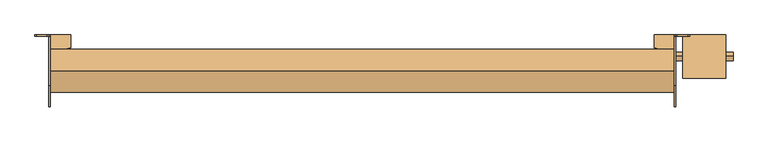
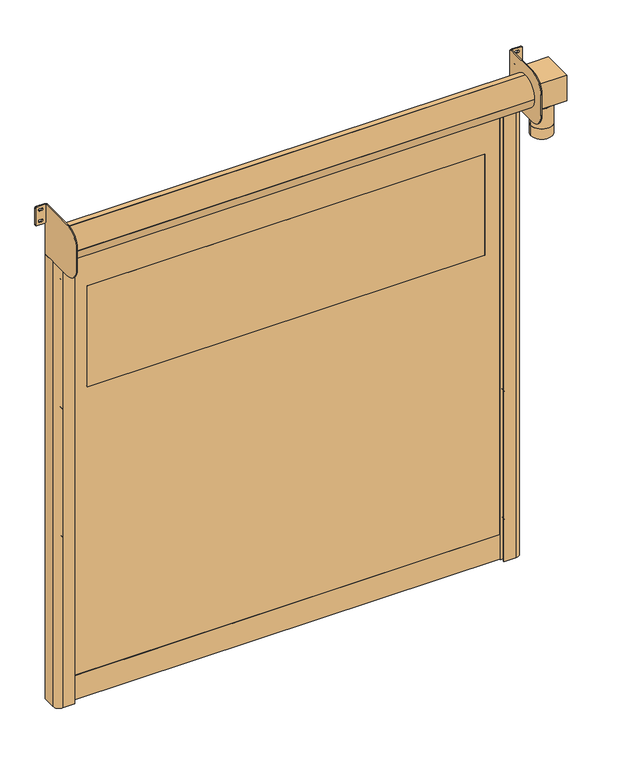
"""IFC4 building model written with IfcOpenShell, lengths in millimetres: door geometry."""

import ifcopenshell
import ifcopenshell.guid

model = None  # the IFC model being written
_history = None  # IfcOwnerHistory: only IFC2X3 demands one
_inside = {}  # id of a spatial element -> (the spatial element, [elements in it])
_under = {}  # id of a project, library or spatial element -> (it, [spatial elements below it])
_declared = {}  # id of a project -> (the project, [libraries it declares])
_typed = {}  # id of a type object -> (the type object, [elements of that type])
_made_of = {}  # id of a material, layer set ... -> (it, [elements and type objects made of it])


def new_model(schema):
    """Start an empty IFC model of exactly this schema.

    Asked for "IFC4X3", IfcOpenShell would pick the latest addendum, in which some entities
    have other attributes; the version numbers below select the first issue.
    IFC2X3 requires an IfcOwnerHistory on every rooted entity: one is made here for all.
    """
    global model, _history
    if schema == "IFC4X3":
        model = ifcopenshell.file(schema_version=(4, 3, 0, 0))
    else:
        model = ifcopenshell.file(schema=schema)
    _inside.clear()
    _under.clear()
    _declared.clear()
    _typed.clear()
    _made_of.clear()
    _history = None
    if model.schema == "IFC2X3":
        org = make("IfcOrganization", Name="unknown")
        user = make(
            "IfcPersonAndOrganization",
            ThePerson=make("IfcPerson", FamilyName="unknown"),
            TheOrganization=org,
        )
        app = make(
            "IfcApplication",
            ApplicationDeveloper=org,
            Version="unknown",
            ApplicationFullName="unknown",
            ApplicationIdentifier="unknown",
        )
        _history = make(
            "IfcOwnerHistory",
            OwningUser=user,
            OwningApplication=app,
            ChangeAction="ADDED",
            CreationDate=0,
        )
    return model


def make(cls, **values):
    """One entity of the class cls with the attributes given. An attribute that is None is left unset."""
    return model.create_entity(
        cls, **{name: value for name, value in values.items() if value is not None}
    )


def rooted(cls, **values):
    """An entity with a GlobalId (a new one), such as an element, a storey or a relation."""
    return make(cls, GlobalId=ifcopenshell.guid.new(), OwnerHistory=_history, **values)


def si_unit(unit_type, name, prefix=None):
    """IfcSIUnit, for example si_unit("LENGTHUNIT", "METRE", prefix="MILLI")."""
    return make("IfcSIUnit", UnitType=unit_type, Prefix=prefix, Name=name)


def assignment(units):
    """IfcUnitAssignment: the units of a project."""
    return None if units is None else make("IfcUnitAssignment", Units=units)


def point(xyz):
    """IfcCartesianPoint."""
    return None if xyz is None else make("IfcCartesianPoint", Coordinates=xyz)


def direction(xyz):
    """IfcDirection."""
    return None if xyz is None else make("IfcDirection", DirectionRatios=xyz)


def frame(location, z_axis=None, x_axis=None):
    """IfcAxis2Placement3D, a coordinate frame: its origin and axes. An axis left out is left unset."""
    return make(
        "IfcAxis2Placement3D",
        Location=point(location),
        Axis=direction(z_axis),
        RefDirection=direction(x_axis),
    )


def frame_2d(location, x_axis=None):
    """IfcAxis2Placement2D, a coordinate frame in the plane: its origin and x axis."""
    return make(
        "IfcAxis2Placement2D", Location=point(location), RefDirection=direction(x_axis)
    )


def origin():
    """The frame at (0, 0, 0) with its axes left unset."""
    return frame((0.0, 0.0, 0.0))


def origin_with_axes():
    """The frame at (0, 0, 0) with the z axis (0, 0, 1) and the x axis (1, 0, 0) written out."""
    return frame((0.0, 0.0, 0.0), z_axis=(0.0, 0.0, 1.0), x_axis=(1.0, 0.0, 0.0))


def place(relative_to, where):
    """IfcLocalPlacement: puts the frame where relative to a parent placement (None: the world)."""
    return make(
        "IfcLocalPlacement", PlacementRelTo=relative_to, RelativePlacement=where
    )


def context(
    kind, dimensions, precision=None, world=None, true_north=None, identifier=None
):
    """IfcGeometricRepresentationContext, for example the 3D "Model" context."""
    return make(
        "IfcGeometricRepresentationContext",
        ContextIdentifier=identifier,
        ContextType=kind,
        CoordinateSpaceDimension=dimensions,
        Precision=precision,
        WorldCoordinateSystem=world,
        TrueNorth=true_north,
    )


def project(units=None, contexts=None):
    """IfcProject with its units and contexts."""
    return rooted(
        "IfcProject",
        Name="project",
        RepresentationContexts=contexts,
        UnitsInContext=assignment(units),
    )


def spatial(cls, under=None, at=None, **own):
    """A site, building, storey or space (cls), placed at a placement, below another one or the project."""
    s = rooted(cls, ObjectPlacement=at, **own)
    if under is not None:
        _under.setdefault(under.id(), (under, []))[1].append(s)
    return s


def polyline(points):
    """IfcPolyline through the points."""
    return make("IfcPolyline", Points=[point(p) for p in points])


def circle_curve(where, radius):
    """IfcCircle in the frame where."""
    return make("IfcCircle", Position=where, Radius=radius)


def trimmed(basis, trim1, trim2, sense, master):
    """IfcTrimmedCurve: the piece of a basis curve between two trims."""
    return make(
        "IfcTrimmedCurve",
        BasisCurve=basis,
        Trim1=trim1,
        Trim2=trim2,
        SenseAgreement=sense,
        MasterRepresentation=master,
    )


def segment(curve, same_sense, transition):
    """IfcCompositeCurveSegment."""
    return make(
        "IfcCompositeCurveSegment",
        Transition=transition,
        SameSense=same_sense,
        ParentCurve=curve,
    )


def composite_curve(segments, self_intersect=None):
    """IfcCompositeCurve: segments joined end to end."""
    return make("IfcCompositeCurve", Segments=segments, SelfIntersect=self_intersect)


def outline(outer, holes=None, kind="AREA"):
    """IfcArbitraryClosedProfileDef: a profile drawn as a closed curve; with holes, ...WithVoids."""
    if holes is None:
        return make("IfcArbitraryClosedProfileDef", ProfileType=kind, OuterCurve=outer)
    return make(
        "IfcArbitraryProfileDefWithVoids",
        ProfileType=kind,
        OuterCurve=outer,
        InnerCurves=holes,
    )


def extrude(swept, where, along, depth):
    """IfcExtrudedAreaSolid: the profile swept, set in the frame where, extruded along a direction by depth."""
    return make(
        "IfcExtrudedAreaSolid",
        SweptArea=swept,
        Position=where,
        ExtrudedDirection=direction(along),
        Depth=depth,
    )


def shape(context_of_items, identifier, shape_type, items):
    """IfcShapeRepresentation: the items that make up one representation, for example the "Body"."""
    return make(
        "IfcShapeRepresentation",
        ContextOfItems=context_of_items,
        RepresentationIdentifier=identifier,
        RepresentationType=shape_type,
        Items=items,
    )


def source(mapping_origin, context_of_items, identifier, shape_type, items):
    """IfcRepresentationMap: a shape defined once, which mapped items show again and again."""
    return make(
        "IfcRepresentationMap",
        MappingOrigin=mapping_origin,
        MappedRepresentation=shape(context_of_items, identifier, shape_type, items),
    )


def transform(
    local_origin,
    x_axis=None,
    y_axis=None,
    z_axis=None,
    scale=None,
    scale2=None,
    scale3=None,
    uniform=True,
):
    """IfcCartesianTransformationOperator3D, or its non-uniform kind. x_axis, y_axis, z_axis: its Axis1, 2, 3."""
    if uniform:
        return make(
            "IfcCartesianTransformationOperator3D",
            Axis1=direction(x_axis),
            Axis2=direction(y_axis),
            LocalOrigin=point(local_origin),
            Scale=scale,
            Axis3=direction(z_axis),
        )
    return make(
        "IfcCartesianTransformationOperator3DnonUniform",
        Axis1=direction(x_axis),
        Axis2=direction(y_axis),
        LocalOrigin=point(local_origin),
        Scale=scale,
        Axis3=direction(z_axis),
        Scale2=scale2,
        Scale3=scale3,
    )


def mapped(mapping_source, mapping_target):
    """IfcMappedItem: shows the shape of a source again, moved by a transform."""
    return make(
        "IfcMappedItem", MappingSource=mapping_source, MappingTarget=mapping_target
    )


def made_of(thing, what):
    """Note that an element or type object is made of a material, layer set ...; save() writes the relation."""
    if what is not None:
        _made_of.setdefault(what.id(), (what, []))[1].append(thing)
    return thing


def element(
    cls,
    number,
    at=None,
    inside=None,
    cuts=None,
    type_object=None,
    material=None,
    context=None,
    identifier="Body",
    shape_type=None,
    held_by="IfcProductDefinitionShape",
    body=None,
    shapes=None,
    **own,
):
    """One element of the class cls, such as IfcWall. Its Tag is "e" and its number.

    at: its placement. inside: the storey or other place that contains it. cuts: it is an
    opening in that element (IfcRelVoidsElement). A single representation is given by context,
    identifier, shape_type and body (its items); several are given by shapes. held_by: the class
    of the entity that holds the representations. save() writes the other relations.
    """
    e = rooted(cls, Tag="e%d" % number, ObjectPlacement=at, **own)
    if body is not None:
        shapes = [shape(context, identifier, shape_type, body)]
    if shapes is not None:
        e.Representation = make(held_by, Representations=shapes)
    if inside is not None:
        _inside.setdefault(inside.id(), (inside, []))[1].append(e)
    if cuts is not None:
        rooted(
            "IfcRelVoidsElement", RelatingBuildingElement=cuts, RelatedOpeningElement=e
        )
    if type_object is not None:
        _typed.setdefault(type_object.id(), (type_object, []))[1].append(e)
    return made_of(e, material)


def aggregate(whole, parts):
    """IfcRelAggregates: a whole, such as a stair, and the parts it consists of."""
    return rooted("IfcRelAggregates", RelatingObject=whole, RelatedObjects=parts)


def save(model, path):
    """Write the relations noted so far, then the file.

    IfcRelAggregates (storeys below a building ...), IfcRelContainedInSpatialStructure (elements
    in a storey), IfcRelDefinesByType, IfcRelAssociatesMaterial and IfcRelDeclares: one each for
    every whole, place, type object, material and project.
    """
    for whole, parts in _under.values():
        aggregate(whole, parts)
    for where, things in _inside.values():
        rooted(
            "IfcRelContainedInSpatialStructure",
            RelatedElements=things,
            RelatingStructure=where,
        )
    for kind, things in _typed.values():
        rooted("IfcRelDefinesByType", RelatedObjects=things, RelatingType=kind)
    for what, things in _made_of.values():
        rooted("IfcRelAssociatesMaterial", RelatedObjects=things, RelatingMaterial=what)
    for by, libraries in _declared.values():
        rooted("IfcRelDeclares", RelatingContext=by, RelatedDefinitions=libraries)
    model.write(path)


def plane_surface(at):
    """IfcPlane: the flat surface through the origin of the frame at, square to its z axis."""
    return make("IfcPlane", Position=at)


def cylinder_surface(at, radius):
    """IfcCylindricalSurface: all points at the distance radius from the z axis of the frame at."""
    return make("IfcCylindricalSurface", Position=at, Radius=radius)


def advanced_brep(points, edges, surfaces, faces):
    """IfcAdvancedBrep: a solid bounded by faces that lie on surfaces and meet in shared edges.

    An edge is (start, end): straight between two places in points (the first is 0);
    or (start, end, curve); or (start, end, curve, False) where it runs against its curve.
    A face is (place in surfaces, loops), or (place, loops, False) where it looks against
    its surface's normal. A loop lists edges by number (the first is 1), with a minus sign
    where the edge is run from its end to its start. The first loop is the outer one.
    """
    corners = [point(p) for p in points]
    vertices = [make("IfcVertexPoint", VertexGeometry=c) for c in corners]
    made = []
    for start, end, *more in edges:
        made.append(
            make(
                "IfcEdgeCurve",
                EdgeStart=vertices[start],
                EdgeEnd=vertices[end],
                EdgeGeometry=more[0] if more else make("IfcPolyline", Points=[corners[start], corners[end]]),
                SameSense=more[1] if len(more) > 1 else True,
            )
        )
    hull = []
    for where, loops, *sense in faces:
        bounds = []
        for j, loop in enumerate(loops):
            ring = [make("IfcOrientedEdge", EdgeElement=made[abs(k) - 1], Orientation=k > 0) for k in loop]
            bounds.append(
                make(
                    "IfcFaceOuterBound" if j == 0 else "IfcFaceBound",
                    Bound=make("IfcEdgeLoop", EdgeList=ring),
                    Orientation=True,
                )
            )
        hull.append(make("IfcAdvancedFace", Bounds=bounds, FaceSurface=surfaces[where], SameSense=sense[0] if sense else True))
    return make("IfcAdvancedBrep", Outer=make("IfcClosedShell", CfsFaces=hull))


def door_f3b390bc(model_context):
    return source(origin(), model_context, "Body", "SolidModel", [
        extrude(outline(composite_curve([segment(trimmed(circle_curve(frame_2d((1416.6666667, 1024.0)), 6.0), [point((1422.6666667, 1024.0))], [point((1410.6666667, 1024.0))], False, "CARTESIAN"), True, "CONTINUOUS"), segment(polyline([(1410.6666667, 1024.0), (1410.6666667, 1042.0)]), True, "CONTINUOUS"), segment(trimmed(circle_curve(frame_2d((1416.6666667, 1042.0)), 6.0), [point((1410.6666667, 1042.0))], [point((1422.6666667, 1042.0))], False, "CARTESIAN"), True, "CONTINUOUS"), segment(polyline([(1422.6666667, 1042.0), (1422.6666667, 1024.0)]), True, "CONTINUOUS")], self_intersect=False)), frame((0.0, -20.0, 0.0), z_axis=(0.0, 1.0, 0.0), x_axis=(0.0, 0.0, 1.0)), (0.0, 0.0, 1.0), 20.0),
        extrude(outline(composite_curve([segment(trimmed(circle_curve(frame_2d((783.3333333, 1024.0)), 6.0), [point((789.3333333, 1024.0))], [point((777.3333333, 1024.0))], False, "CARTESIAN"), True, "CONTINUOUS"), segment(polyline([(777.3333333, 1024.0), (777.3333333, 1042.0)]), True, "CONTINUOUS"), segment(trimmed(circle_curve(frame_2d((783.3333333, 1042.0)), 6.0), [point((777.3333333, 1042.0))], [point((789.3333333, 1042.0))], False, "CARTESIAN"), True, "CONTINUOUS"), segment(polyline([(789.3333333, 1042.0), (789.3333333, 1024.0)]), True, "CONTINUOUS")], self_intersect=False)), frame((0.0, -20.0, 0.0), z_axis=(0.0, 1.0, 0.0), x_axis=(0.0, 0.0, 1.0)), (0.0, 0.0, 1.0), 20.0),
        extrude(outline(composite_curve([segment(trimmed(circle_curve(frame_2d((2050.0, 1024.0)), 6.0), [point((2056.0, 1024.0))], [point((2044.0, 1024.0))], False, "CARTESIAN"), True, "CONTINUOUS"), segment(polyline([(2044.0, 1024.0), (2044.0, 1042.0)]), True, "CONTINUOUS"), segment(trimmed(circle_curve(frame_2d((2050.0, 1042.0)), 6.0), [point((2044.0, 1042.0))], [point((2056.0, 1042.0))], False, "CARTESIAN"), True, "CONTINUOUS"), segment(polyline([(2056.0, 1042.0), (2056.0, 1024.0)]), True, "CONTINUOUS")], self_intersect=False)), frame((0.0, -20.0, 0.0), z_axis=(0.0, 1.0, 0.0), x_axis=(0.0, 0.0, 1.0)), (0.0, 0.0, 1.0), 20.0),
        extrude(outline(composite_curve([segment(trimmed(circle_curve(frame_2d((150.0, 1024.0)), 6.0), [point((156.0, 1024.0))], [point((144.0, 1024.0))], False, "CARTESIAN"), True, "CONTINUOUS"), segment(polyline([(144.0, 1024.0), (144.0, 1042.0)]), True, "CONTINUOUS"), segment(trimmed(circle_curve(frame_2d((150.0, 1042.0)), 6.0), [point((144.0, 1042.0))], [point((156.0, 1042.0))], False, "CARTESIAN"), True, "CONTINUOUS"), segment(polyline([(156.0, 1042.0), (156.0, 1024.0)]), True, "CONTINUOUS")], self_intersect=False)), frame((0.0, -20.0, 0.0), z_axis=(0.0, 1.0, 0.0), x_axis=(0.0, 0.0, 1.0)), (0.0, 0.0, 1.0), 20.0),
        extrude(outline(composite_curve([segment(polyline([(1422.6666667, -1024.0), (1422.6666667, -1042.0)]), True, "CONTINUOUS"), segment(trimmed(circle_curve(frame_2d((1416.6666667, -1042.0)), 6.0), [point((1422.6666667, -1042.0))], [point((1410.6666667, -1042.0))], False, "CARTESIAN"), True, "CONTINUOUS"), segment(polyline([(1410.6666667, -1042.0), (1410.6666667, -1024.0)]), True, "CONTINUOUS"), segment(trimmed(circle_curve(frame_2d((1416.6666667, -1024.0)), 6.0), [point((1410.6666667, -1024.0))], [point((1422.6666667, -1024.0))], False, "CARTESIAN"), True, "CONTINUOUS")], self_intersect=False)), frame((0.0, -20.0, 0.0), z_axis=(0.0, 1.0, 0.0), x_axis=(0.0, 0.0, 1.0)), (0.0, 0.0, 1.0), 20.0),
        extrude(outline(composite_curve([segment(polyline([(789.3333333, -1024.0), (789.3333333, -1042.0)]), True, "CONTINUOUS"), segment(trimmed(circle_curve(frame_2d((783.3333333, -1042.0)), 6.0), [point((789.3333333, -1042.0))], [point((777.3333333, -1042.0))], False, "CARTESIAN"), True, "CONTINUOUS"), segment(polyline([(777.3333333, -1042.0), (777.3333333, -1024.0)]), True, "CONTINUOUS"), segment(trimmed(circle_curve(frame_2d((783.3333333, -1024.0)), 6.0), [point((777.3333333, -1024.0))], [point((789.3333333, -1024.0))], False, "CARTESIAN"), True, "CONTINUOUS")], self_intersect=False)), frame((0.0, -20.0, 0.0), z_axis=(0.0, 1.0, 0.0), x_axis=(0.0, 0.0, 1.0)), (0.0, 0.0, 1.0), 20.0),
        extrude(outline(composite_curve([segment(polyline([(2056.0, -1024.0), (2056.0, -1042.0)]), True, "CONTINUOUS"), segment(trimmed(circle_curve(frame_2d((2050.0, -1042.0)), 6.0), [point((2056.0, -1042.0))], [point((2044.0, -1042.0))], False, "CARTESIAN"), True, "CONTINUOUS"), segment(polyline([(2044.0, -1042.0), (2044.0, -1024.0)]), True, "CONTINUOUS"), segment(trimmed(circle_curve(frame_2d((2050.0, -1024.0)), 6.0), [point((2044.0, -1024.0))], [point((2056.0, -1024.0))], False, "CARTESIAN"), True, "CONTINUOUS")], self_intersect=False)), frame((0.0, -20.0, 0.0), z_axis=(0.0, 1.0, 0.0), x_axis=(0.0, 0.0, 1.0)), (0.0, 0.0, 1.0), 20.0),
        extrude(outline(composite_curve([segment(polyline([(156.0, -1024.0), (156.0, -1042.0)]), True, "CONTINUOUS"), segment(trimmed(circle_curve(frame_2d((150.0, -1042.0)), 6.0), [point((156.0, -1042.0))], [point((144.0, -1042.0))], False, "CARTESIAN"), True, "CONTINUOUS"), segment(polyline([(144.0, -1042.0), (144.0, -1024.0)]), True, "CONTINUOUS"), segment(trimmed(circle_curve(frame_2d((150.0, -1024.0)), 6.0), [point((144.0, -1024.0))], [point((156.0, -1024.0))], False, "CARTESIAN"), True, "CONTINUOUS")], self_intersect=False)), frame((0.0, -20.0, 0.0), z_axis=(0.0, 1.0, 0.0), x_axis=(0.0, 0.0, 1.0)), (0.0, 0.0, 1.0), 20.0),
        extrude(outline(composite_curve([segment(trimmed(circle_curve(frame_2d((1526.0, 929.0)), 1.0), [point((1525.0, 929.0))], [point((1526.0, 930.0))], False, "CARTESIAN"), True, "CONTINUOUS"), segment(polyline([(1526.0, 930.0), (2024.0, 930.0)]), True, "CONTINUOUS"), segment(trimmed(circle_curve(frame_2d((2024.0, 929.0)), 1.0), [point((2024.0, 930.0))], [point((2025.0, 929.0))], False, "CARTESIAN"), True, "CONTINUOUS"), segment(polyline([(2025.0, 929.0), (2025.0, -929.0)]), True, "CONTINUOUS"), segment(trimmed(circle_curve(frame_2d((2024.0, -929.0)), 1.0), [point((2025.0, -929.0))], [point((2024.0, -930.0))], False, "CARTESIAN"), True, "CONTINUOUS"), segment(polyline([(2024.0, -930.0), (1526.0, -930.0)]), True, "CONTINUOUS"), segment(trimmed(circle_curve(frame_2d((1526.0, -929.0)), 1.0), [point((1526.0, -930.0))], [point((1525.0, -929.0))], False, "CARTESIAN"), True, "CONTINUOUS"), segment(polyline([(1525.0, -929.0), (1525.0, 929.0)]), True, "CONTINUOUS")], self_intersect=False)), frame((0.0, -63.5, 0.0), z_axis=(0.0, 1.0, 0.0), x_axis=(0.0, 0.0, 1.0)), (0.0, 0.0, 1.0), 7.0),
        extrude(outline(polyline([(120.0, -1012.0), (120.0, 1012.0), (2325.0, 1012.0), (2325.0, -1012.0), (120.0, -1012.0)]), holes=[composite_curve([segment(trimmed(circle_curve(frame_2d((1526.0, 929.0)), 1.0), [point((1526.0, 930.0))], [point((1525.0, 929.0))], True, "CARTESIAN"), True, "CONTINUOUS"), segment(polyline([(1525.0, 929.0), (1525.0, -929.0)]), True, "CONTINUOUS"), segment(trimmed(circle_curve(frame_2d((1526.0, -929.0)), 1.0), [point((1525.0, -929.0))], [point((1526.0, -930.0))], True, "CARTESIAN"), True, "CONTINUOUS"), segment(polyline([(1526.0, -930.0), (2024.0, -930.0)]), True, "CONTINUOUS"), segment(trimmed(circle_curve(frame_2d((2024.0, -929.0)), 1.0), [point((2024.0, -930.0))], [point((2025.0, -929.0))], True, "CARTESIAN"), True, "CONTINUOUS"), segment(polyline([(2025.0, -929.0), (2025.0, 929.0)]), True, "CONTINUOUS"), segment(trimmed(circle_curve(frame_2d((2024.0, 929.0)), 1.0), [point((2025.0, 929.0))], [point((2024.0, 930.0))], True, "CARTESIAN"), True, "CONTINUOUS"), segment(polyline([(2024.0, 930.0), (1526.0, 930.0)]), True, "CONTINUOUS")], self_intersect=False)]), frame((0.0, -63.5, 0.0), z_axis=(0.0, 1.0, 0.0), x_axis=(0.0, 0.0, 1.0)), (0.0, 0.0, 1.0), 7.0),
        extrude(outline(polyline([(-1012.0, -54.5), (1012.0, -54.5), (1012.0, -65.5), (-1012.0, -65.5), (-1012.0, -54.5)])), origin_with_axes(), (0.0, 0.0, 1.0), 120.0),
        extrude(outline(composite_curve([segment(trimmed(circle_curve(frame_2d((2363.75, 1095.75)), 5.75), [point((2363.75, 1090.0))], [point((2358.0, 1095.75))], False, "CARTESIAN"), True, "CONTINUOUS"), segment(polyline([(2358.0, 1095.75), (2358.0, 1133.25)]), True, "CONTINUOUS"), segment(trimmed(circle_curve(frame_2d((2363.75, 1133.25)), 5.75), [point((2358.0, 1133.25))], [point((2363.75, 1139.0))], False, "CARTESIAN"), True, "CONTINUOUS"), segment(polyline([(2363.75, 1139.0), (2444.25, 1139.0)]), True, "CONTINUOUS"), segment(trimmed(circle_curve(frame_2d((2444.25, 1133.25)), 5.75), [point((2444.25, 1139.0))], [point((2450.0, 1133.25))], False, "CARTESIAN"), True, "CONTINUOUS"), segment(polyline([(2450.0, 1133.25), (2450.0, 1095.75)]), True, "CONTINUOUS"), segment(trimmed(circle_curve(frame_2d((2444.25, 1095.75)), 5.75), [point((2450.0, 1095.75))], [point((2444.25, 1090.0))], False, "CARTESIAN"), True, "CONTINUOUS"), segment(polyline([(2444.25, 1090.0), (2363.75, 1090.0)]), True, "CONTINUOUS")], self_intersect=False), holes=[composite_curve([segment(trimmed(circle_curve(frame_2d((2431.5, 1118.75)), 5.75), [point((2437.25, 1118.75))], [point((2425.75, 1118.75))], True, "CARTESIAN"), True, "CONTINUOUS"), segment(polyline([(2425.75, 1118.75), (2425.75, 1110.25)]), True, "CONTINUOUS"), segment(trimmed(circle_curve(frame_2d((2431.5, 1110.25)), 5.75), [point((2425.75, 1110.25))], [point((2437.25, 1110.25))], True, "CARTESIAN"), True, "CONTINUOUS"), segment(polyline([(2437.25, 1110.25), (2437.25, 1118.75)]), True, "CONTINUOUS")], self_intersect=False), composite_curve([segment(trimmed(circle_curve(frame_2d((2376.5, 1118.75)), 5.75), [point((2382.25, 1118.75))], [point((2370.75, 1118.75))], True, "CARTESIAN"), True, "CONTINUOUS"), segment(polyline([(2370.75, 1118.75), (2370.75, 1110.25)]), True, "CONTINUOUS"), segment(trimmed(circle_curve(frame_2d((2376.5, 1110.25)), 5.75), [point((2370.75, 1110.25))], [point((2382.25, 1110.25))], True, "CARTESIAN"), True, "CONTINUOUS"), segment(polyline([(2382.25, 1110.25), (2382.25, 1118.75)]), True, "CONTINUOUS")], self_intersect=False)]), frame((0.0, -5.0, 0.0), z_axis=(0.0, 1.0, 0.0), x_axis=(0.0, 0.0, 1.0)), (0.0, 0.0, 1.0), 5.0),
        extrude(outline(composite_curve([segment(trimmed(circle_curve(frame_2d((2363.75, -1133.25)), 5.75), [point((2363.75, -1139.0))], [point((2358.0, -1133.25))], False, "CARTESIAN"), True, "CONTINUOUS"), segment(polyline([(2358.0, -1133.25), (2358.0, -1095.75)]), True, "CONTINUOUS"), segment(trimmed(circle_curve(frame_2d((2363.75, -1095.75)), 5.75), [point((2358.0, -1095.75))], [point((2363.75, -1090.0))], False, "CARTESIAN"), True, "CONTINUOUS"), segment(polyline([(2363.75, -1090.0), (2444.25, -1090.0)]), True, "CONTINUOUS"), segment(trimmed(circle_curve(frame_2d((2444.25, -1095.75)), 5.75), [point((2444.25, -1090.0))], [point((2450.0, -1095.75))], False, "CARTESIAN"), True, "CONTINUOUS"), segment(polyline([(2450.0, -1095.75), (2450.0, -1133.25)]), True, "CONTINUOUS"), segment(trimmed(circle_curve(frame_2d((2444.25, -1133.25)), 5.75), [point((2450.0, -1133.25))], [point((2444.25, -1139.0))], False, "CARTESIAN"), True, "CONTINUOUS"), segment(polyline([(2444.25, -1139.0), (2363.75, -1139.0)]), True, "CONTINUOUS")], self_intersect=False), holes=[composite_curve([segment(trimmed(circle_curve(frame_2d((2431.5, -1110.25)), 5.75), [point((2437.25, -1110.25))], [point((2425.75, -1110.25))], True, "CARTESIAN"), True, "CONTINUOUS"), segment(polyline([(2425.75, -1110.25), (2425.75, -1118.75)]), True, "CONTINUOUS"), segment(trimmed(circle_curve(frame_2d((2431.5, -1118.75)), 5.75), [point((2425.75, -1118.75))], [point((2437.25, -1118.75))], True, "CARTESIAN"), True, "CONTINUOUS"), segment(polyline([(2437.25, -1118.75), (2437.25, -1110.25)]), True, "CONTINUOUS")], self_intersect=False), composite_curve([segment(trimmed(circle_curve(frame_2d((2376.5, -1110.25)), 5.75), [point((2382.25, -1110.25))], [point((2370.75, -1110.25))], True, "CARTESIAN"), True, "CONTINUOUS"), segment(polyline([(2370.75, -1110.25), (2370.75, -1118.75)]), True, "CONTINUOUS"), segment(trimmed(circle_curve(frame_2d((2376.5, -1118.75)), 5.75), [point((2370.75, -1118.75))], [point((2382.25, -1118.75))], True, "CARTESIAN"), True, "CONTINUOUS"), segment(polyline([(2382.25, -1118.75), (2382.25, -1110.25)]), True, "CONTINUOUS")], self_intersect=False)]), frame((0.0, -5.0, 0.0), z_axis=(0.0, 1.0, 0.0), x_axis=(0.0, 0.0, 1.0)), (0.0, 0.0, 1.0), 5.0),
        extrude(outline(composite_curve([segment(trimmed(circle_curve(frame_2d((1190.0, -75.0)), 37.5), [point((1227.5, -75.0))], [point((1152.5, -75.0))], False, "CARTESIAN"), True, "CONTINUOUS"), segment(trimmed(circle_curve(frame_2d((1190.0, -75.0)), 37.5), [point((1152.5, -75.0))], [point((1227.5, -75.0))], False, "CARTESIAN"), True, "CONTINUOUS")], self_intersect=False)), frame((0.0, 0.0, 2200.0), z_axis=(0.0, 0.0, 1.0), x_axis=(1.0, 0.0, 0.0)), (0.0, 0.0, 1.0), 25.0),
        extrude(outline(composite_curve([segment(trimmed(circle_curve(frame_2d((1190.0, -75.0)), 50.0), [point((1240.0, -75.0))], [point((1140.0, -75.0))], False, "CARTESIAN"), True, "CONTINUOUS"), segment(trimmed(circle_curve(frame_2d((1190.0, -75.0)), 50.0), [point((1140.0, -75.0))], [point((1240.0, -75.0))], False, "CARTESIAN"), True, "CONTINUOUS")], self_intersect=False)), frame((0.0, 0.0, 2100.0), z_axis=(0.0, 0.0, 1.0), x_axis=(1.0, 0.0, 0.0)), (0.0, 0.0, 1.0), 100.0),
        extrude(outline(composite_curve([segment(trimmed(circle_curve(frame_2d((1190.0, -75.0)), 50.0), [point((1240.0, -75.0))], [point((1140.0, -75.0))], False, "CARTESIAN"), True, "CONTINUOUS"), segment(trimmed(circle_curve(frame_2d((1190.0, -75.0)), 50.0), [point((1140.0, -75.0))], [point((1240.0, -75.0))], False, "CARTESIAN"), True, "CONTINUOUS")], self_intersect=False)), frame((0.0, 0.0, 2050.0), z_axis=(0.0, 0.0, 1.0), x_axis=(1.0, 0.0, 0.0)), (0.0, 0.0, 1.0), 50.0),
        extrude(outline(composite_curve([segment(polyline([(-1090.0, 0.0), (-1015.0, 0.0), (-1015.0, -44.2857143), (-1035.0, -50.0), (-1000.0, -50.0), (-1000.0, -56.5), (-1020.0, -56.5), (-1020.0, -63.5), (-1000.0, -63.5), (-1000.0, -70.0), (-1035.0, -70.0), (-1035.0, -85.0), (-1005.0, -85.0), (-1005.0, -90.0), (-1060.0, -90.0)]), True, "CONTINUOUS"), segment(trimmed(circle_curve(frame_2d((-1060.0, -60.0)), 30.0), [point((-1060.0, -90.0))], [point((-1090.0, -60.0))], False, "CARTESIAN"), True, "CONTINUOUS"), segment(polyline([(-1090.0, -60.0), (-1090.0, 0.0)]), True, "CONTINUOUS")], self_intersect=False)), origin_with_axes(), (0.0, 0.0, 1.0), 2200.0),
        extrude(outline(composite_curve([segment(polyline([(1090.0, 0.0), (1090.0, -60.0)]), True, "CONTINUOUS"), segment(trimmed(circle_curve(frame_2d((1060.0, -60.0)), 30.0), [point((1090.0, -60.0))], [point((1060.0, -90.0))], False, "CARTESIAN"), True, "CONTINUOUS"), segment(polyline([(1060.0, -90.0), (1005.0, -90.0), (1005.0, -85.0), (1035.0, -85.0), (1035.0, -70.0), (1000.0, -70.0), (1000.0, -63.5), (1020.0, -63.5), (1020.0, -56.5), (1000.0, -56.5), (1000.0, -50.0), (1035.0, -50.0), (1015.0, -44.2857143), (1015.0, 0.0), (1090.0, 0.0)]), True, "CONTINUOUS")], self_intersect=False)), origin_with_axes(), (0.0, 0.0, 1.0), 2200.0),
        advanced_brep(
        [(1115.0, -150.0, 2350.0), (1265.0, -150.0, 2350.0), (1265.0, 0.0, 2350.0), (1115.0, 0.0, 2350.0), (1115.0, -150.0, 2225.0), (1265.0, -150.0, 2225.0), (1265.0, 0.0, 2225.0), (1265.0, -75.0, 2272.5), (1265.0, -75.0, 2302.5), (1115.0, 0.0, 2225.0), (1115.0, -75.0, 2302.5), (1115.0, -75.0, 2272.5), (1090.0, -75.0, 2272.5), (1090.0, -75.0, 2302.5), (1290.0, -75.0, 2272.5), (1290.0, -75.0, 2302.5)],
        [
            (0, 1),
            (1, 2),
            (2, 3),
            (3, 0),
            (4, 5),
            (5, 1),
            (0, 4),
            (5, 6),
            (6, 2),
            (7, 8, circle_curve(frame((1265.0, -75.0, 2287.5), z_axis=(-1.0, 0.0, 0.0), x_axis=(0.0, 0.0, 1.0)), 15.0)),
            (8, 7, circle_curve(frame((1265.0, -75.0, 2287.5), z_axis=(-1.0, 0.0, 0.0), x_axis=(0.0, 0.0, 1.0)), 15.0)),
            (6, 9),
            (9, 3),
            (9, 4),
            (10, 11, circle_curve(frame((1115.0, -75.0, 2287.5), z_axis=(1.0, 0.0, 0.0), x_axis=(0.0, 0.0, 1.0)), 15.0)),
            (11, 10, circle_curve(frame((1115.0, -75.0, 2287.5), z_axis=(1.0, 0.0, 0.0), x_axis=(0.0, 0.0, 1.0)), 15.0)),
            (12, 13, circle_curve(frame((1090.0, -75.0, 2287.5), z_axis=(-1.0, 0.0, 0.0), x_axis=(0.0, 0.0, 1.0)), 15.0)),
            (13, 12, circle_curve(frame((1090.0, -75.0, 2287.5), z_axis=(-1.0, 0.0, 0.0), x_axis=(0.0, 0.0, 1.0)), 15.0)),
            (12, 11),
            (10, 13),
            (14, 15, circle_curve(frame((1290.0, -75.0, 2287.5), z_axis=(-1.0, 0.0, 0.0), x_axis=(0.0, 0.0, 1.0)), 15.0)),
            (15, 8),
            (7, 14),
            (15, 14, circle_curve(frame((1290.0, -75.0, 2287.5), z_axis=(-1.0, 0.0, 0.0), x_axis=(0.0, 0.0, 1.0)), 15.0)),
        ],
        [
            plane_surface(frame((1190.0, 0.0, 2350.0), z_axis=(0.0, 0.0, 1.0), x_axis=(0.0, -1.0, 0.0))),
            plane_surface(frame((1265.0, -150.0, 2225.0), z_axis=(0.0, -1.0, 0.0), x_axis=(0.0, 0.0, 1.0))),
            plane_surface(frame((1265.0, 0.0, 2225.0), z_axis=(1.0, 0.0, 0.0), x_axis=(0.0, 0.0, 1.0))),
            plane_surface(frame((1115.0, 0.0, 2225.0), z_axis=(0.0, 1.0, 0.0), x_axis=(0.0, 0.0, 1.0))),
            plane_surface(frame((1115.0, -150.0, 2225.0), z_axis=(-1.0, 0.0, 0.0), x_axis=(0.0, 0.0, 1.0))),
            plane_surface(frame((1190.0, 0.0, 2225.0), z_axis=(0.0, 0.0, -1.0), x_axis=(0.0, -1.0, 0.0))),
            plane_surface(frame((1090.0, 0.0, 2287.5), z_axis=(-1.0, 0.0, 0.0), x_axis=(0.0, -1.0, 0.0))),
            cylinder_surface(frame((1090.0, -75.0, 2287.5), z_axis=(-1.0, 0.0, 0.0), x_axis=(0.0, 0.0, 1.0)), 15.0),
            plane_surface(frame((1290.0, 0.0, 2287.5), z_axis=(1.0, 0.0, 0.0), x_axis=(0.0, -1.0, 0.0))),
        ],
        [
            (0, [[1, 2, 3, 4]]),
            (1, [[5, 6, -1, 7]]),
            (2, [[8, 9, -2, -6], [10, 11]]),
            (3, [[12, 13, -3, -9]]),
            (4, [[14, -7, -4, -13], [15, 16]]),
            (5, [[-14, -12, -8, -5]]),
            (6, [[17, 18]]),
            (7, [[-17, 19, -15, 20]]),
            (7, [[21, 22, -10, 23]]),
            (7, [[-18, -20, -16, -19]]),
            (7, [[24, -23, -11, -22]]),
            (8, [[-24, -21]]),
        ],
    ),
        extrude(outline(composite_curve([segment(trimmed(circle_curve(frame_2d((-5.0, 2205.0)), 5.0), [point((0.0, 2205.0))], [point((-5.0, 2200.0))], False, "CARTESIAN"), True, "CONTINUOUS"), segment(polyline([(-5.0, 2200.0), (-175.0, 2200.0)]), True, "CONTINUOUS"), segment(trimmed(circle_curve(frame_2d((-175.0, 2275.0)), 75.0), [point((-175.0, 2200.0))], [point((-250.0, 2275.0))], False, "CARTESIAN"), True, "CONTINUOUS"), segment(polyline([(-250.0, 2275.0), (-250.0, 2375.0)]), True, "CONTINUOUS"), segment(trimmed(circle_curve(frame_2d((-175.0, 2375.0)), 75.0), [point((-250.0, 2375.0))], [point((-175.0, 2450.0))], False, "CARTESIAN"), True, "CONTINUOUS"), segment(polyline([(-175.0, 2450.0), (-5.0, 2450.0)]), True, "CONTINUOUS"), segment(trimmed(circle_curve(frame_2d((-5.0, 2445.0)), 5.0), [point((-5.0, 2450.0))], [point((0.0, 2445.0))], False, "CARTESIAN"), True, "CONTINUOUS"), segment(polyline([(0.0, 2445.0), (0.0, 2205.0)]), True, "CONTINUOUS")], self_intersect=False)), frame((1085.0, 0.0, 0.0), z_axis=(1.0, 0.0, 0.0), x_axis=(0.0, 1.0, 0.0)), (0.0, 0.0, 1.0), 5.0),
        extrude(outline(composite_curve([segment(trimmed(circle_curve(frame_2d((-124.0, 2324.0)), 74.0), [point((-50.0, 2324.0))], [point((-124.0, 2250.0))], False, "CARTESIAN"), True, "CONTINUOUS"), segment(polyline([(-124.0, 2250.0), (-126.0, 2250.0)]), True, "CONTINUOUS"), segment(trimmed(circle_curve(frame_2d((-126.0, 2324.0)), 74.0), [point((-126.0, 2250.0))], [point((-200.0, 2324.0))], False, "CARTESIAN"), True, "CONTINUOUS"), segment(polyline([(-200.0, 2324.0), (-200.0, 2326.0)]), True, "CONTINUOUS"), segment(trimmed(circle_curve(frame_2d((-126.0, 2326.0)), 74.0), [point((-200.0, 2326.0))], [point((-126.0, 2400.0))], False, "CARTESIAN"), True, "CONTINUOUS"), segment(polyline([(-126.0, 2400.0), (-124.0, 2400.0)]), True, "CONTINUOUS"), segment(trimmed(circle_curve(frame_2d((-124.0, 2326.0)), 74.0), [point((-124.0, 2400.0))], [point((-50.0, 2326.0))], False, "CARTESIAN"), True, "CONTINUOUS"), segment(polyline([(-50.0, 2326.0), (-50.0, 2324.0)]), True, "CONTINUOUS")], self_intersect=False)), frame((-1085.0, 0.0, 0.0), z_axis=(1.0, 0.0, 0.0), x_axis=(0.0, 1.0, 0.0)), (0.0, 0.0, 1.0), 2170.0),
        extrude(outline(composite_curve([segment(trimmed(circle_curve(frame_2d((-5.0, 2205.0)), 5.0), [point((0.0, 2205.0))], [point((-5.0, 2200.0))], False, "CARTESIAN"), True, "CONTINUOUS"), segment(polyline([(-5.0, 2200.0), (-175.0, 2200.0)]), True, "CONTINUOUS"), segment(trimmed(circle_curve(frame_2d((-175.0, 2275.0)), 75.0), [point((-175.0, 2200.0))], [point((-250.0, 2275.0))], False, "CARTESIAN"), True, "CONTINUOUS"), segment(polyline([(-250.0, 2275.0), (-250.0, 2375.0)]), True, "CONTINUOUS"), segment(trimmed(circle_curve(frame_2d((-175.0, 2375.0)), 75.0), [point((-250.0, 2375.0))], [point((-175.0, 2450.0))], False, "CARTESIAN"), True, "CONTINUOUS"), segment(polyline([(-175.0, 2450.0), (-5.0, 2450.0)]), True, "CONTINUOUS"), segment(trimmed(circle_curve(frame_2d((-5.0, 2445.0)), 5.0), [point((-5.0, 2450.0))], [point((0.0, 2445.0))], False, "CARTESIAN"), True, "CONTINUOUS"), segment(polyline([(0.0, 2445.0), (0.0, 2205.0)]), True, "CONTINUOUS")], self_intersect=False)), frame((-1090.0, 0.0, 0.0), z_axis=(1.0, 0.0, 0.0), x_axis=(0.0, 1.0, 0.0)), (0.0, 0.0, 1.0), 5.0),
    ])


if __name__ == "__main__":
    model = new_model("IFC4")
    model_context = context("Model", 3, world=origin())
    ifc_project = project(units=[si_unit("LENGTHUNIT", "METRE", prefix="MILLI")], contexts=[model_context])
    site = spatial("IfcSite", under=ifc_project)
    building = spatial("IfcBuilding", under=site)
    placement = place(None, origin())
    door_shape = door_f3b390bc(model_context)
    element("IfcDoor", 1, at=placement, inside=building, context=model_context, shape_type="MappedRepresentation", body=[
        mapped(door_shape, transform((0.0, 0.0, 0.0), x_axis=(1.0, 0.0, 0.0), y_axis=(0.0, 1.0, 0.0), z_axis=(0.0, 0.0, 1.0))),
    ])
    save(model, "model.ifc")
